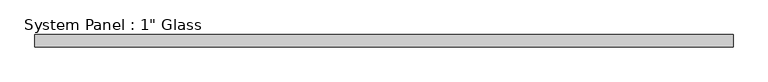
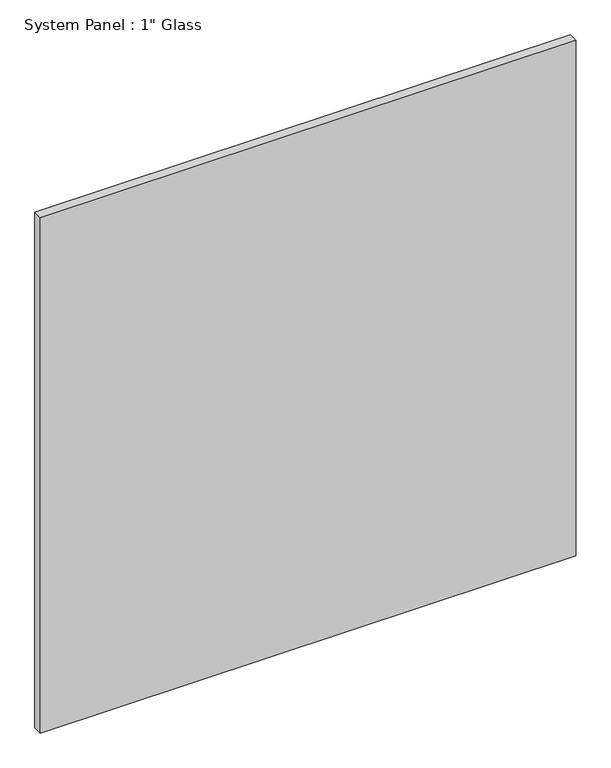
"""IFC4 building model written with IfcOpenShell, lengths in millimetres: plate geometry."""

from ifc_helpers import new_model, si_unit, origin, origin_with_axes, place, context, project, spatial, polyline, outline, extrude, source, transform, mapped, element, save


def plate_98039228(model_context):
    return source(origin(), model_context, "Body", "SweptSolid", [
        extrude(outline(polyline([(717.5508852, -12.7), (-717.5508852, -12.7), (-717.5508852, 12.7), (717.5508852, 12.7), (717.5508852, -12.7)])), origin_with_axes(), (0.0, 0.0, 1.0), 1458.4861731),
    ])


if __name__ == "__main__":
    model = new_model("IFC4")
    model_context = context("Model", 3, world=origin())
    ifc_project = project(units=[si_unit("LENGTHUNIT", "METRE", prefix="MILLI")], contexts=[model_context])
    site = spatial("IfcSite", under=ifc_project)
    building = spatial("IfcBuilding", under=site)
    placement = place(None, origin())
    plate_shape = plate_98039228(model_context)
    element("IfcPlate", 1, ObjectType="System Panel : 1\" Glass", at=placement, inside=building, context=model_context, shape_type="MappedRepresentation", body=[
        mapped(plate_shape, transform((0.0, 0.0, 0.0), x_axis=(1.0, 0.0, 0.0), y_axis=(0.0, 1.0, 0.0), z_axis=(0.0, 0.0, 1.0))),
    ])
    save(model, "model.ifc")
